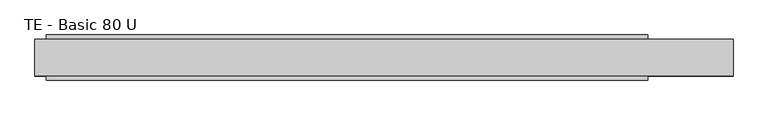
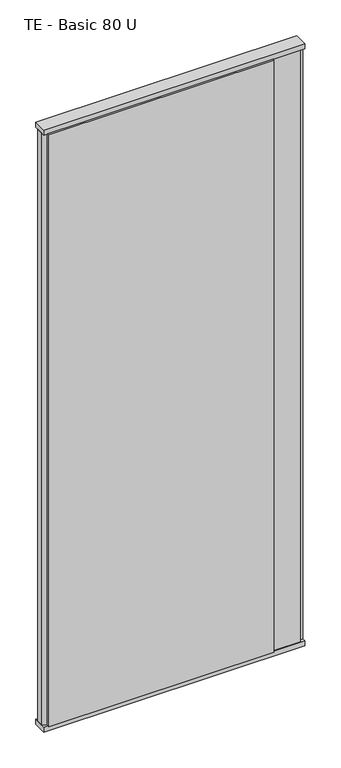
"""IFC4 building model written with IfcOpenShell, lengths in millimetres: plate geometry, TE - Basic 80 U."""

from ifc_helpers import new_model, si_unit, frame, origin, origin_with_axes, place, context, project, spatial, polyline, outline, extrude, source, transform, mapped, element, save


def te_basic_80_u_883dd0b1(model_context):
    return source(origin(), model_context, "Body", "SweptSolid", [
        extrude(outline(polyline([(465.0, 40.0), (465.0, 30.0), (595.0, 30.0), (595.0, 22.9993165), (615.0, 17.6401049), (615.0, -17.6401049), (595.0, -22.9993165), (595.0, -30.0), (465.0, -30.0), (465.0, -40.0), (-595.0, -40.0), (-595.0, -22.9993165), (-615.0, -17.6401049), (-615.0, 17.6401049), (-595.0, 22.9993165), (-595.0, 40.0), (465.0, 40.0)])), frame((0.0, 0.0, 25.0), z_axis=(0.0, 0.0, 1.0), x_axis=(1.0, 0.0, 0.0)), (0.0, 0.0, 1.0), 2950.0),
        extrude(outline(polyline([(615.0, 32.0), (615.0, -32.0), (-615.0, -32.0), (-615.0, 32.0), (615.0, 32.0)])), origin_with_axes(), (0.0, 0.0, 1.0), 25.0),
        extrude(outline(polyline([(615.0, 32.0), (615.0, -32.0), (-615.0, -32.0), (-615.0, 32.0), (615.0, 32.0)])), frame((0.0, 0.0, 2975.0), z_axis=(0.0, 0.0, 1.0), x_axis=(1.0, 0.0, 0.0)), (0.0, 0.0, 1.0), 25.0),
    ])


if __name__ == "__main__":
    model = new_model("IFC4")
    model_context = context("Model", 3, world=origin())
    ifc_project = project(units=[si_unit("LENGTHUNIT", "METRE", prefix="MILLI")], contexts=[model_context])
    site = spatial("IfcSite", under=ifc_project)
    building = spatial("IfcBuilding", under=site)
    placement = place(None, origin())
    te_basic_80_u_shape = te_basic_80_u_883dd0b1(model_context)
    element("IfcPlate", 1, ObjectType="TE - Basic 80 U", at=placement, inside=building, context=model_context, shape_type="MappedRepresentation", body=[
        mapped(te_basic_80_u_shape, transform((0.0, 0.0, 0.0), x_axis=(1.0, 0.0, 0.0), y_axis=(0.0, 1.0, 0.0), z_axis=(0.0, 0.0, 1.0))),
    ])
    save(model, "model.ifc")
